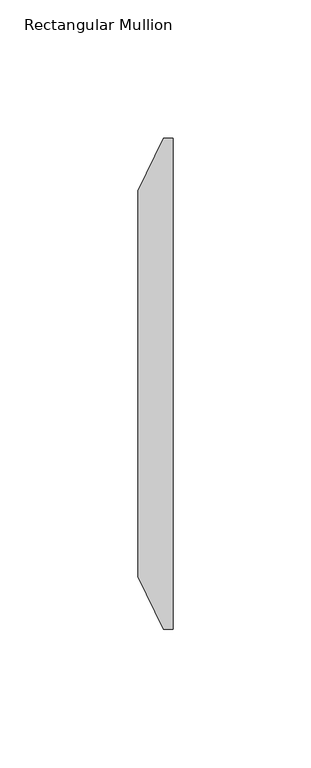
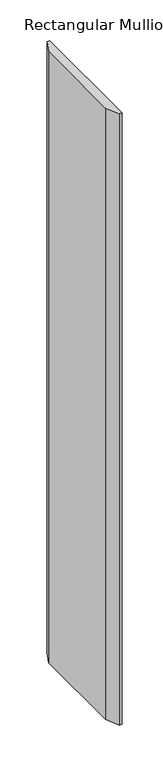
"""IFC4 building model written with IfcOpenShell, lengths in millimetres: member geometry, Rectangular Mullion."""

from ifc_helpers import new_model, si_unit, frame, origin, place, context, project, spatial, polyline, outline, extrude, source, transform, mapped, element, save


def rectangular_mullion_4a57e3d2(model_context):
    return source(origin(), model_context, "Body", "SweptSolid", [
        extrude(outline(polyline([(0.0, 19.05), (0.0, -158.75), (-3.4963666, -158.75), (-12.7, -139.7254762), (-12.7, 0.0254784), (-3.4963578, 19.05), (0.0, 19.05)])), frame((0.0, 0.0, -914.4), z_axis=(0.0, 0.0, 1.0), x_axis=(1.0, 0.0, 0.0)), (0.0, 0.0, 1.0), 914.4),
    ])


if __name__ == "__main__":
    model = new_model("IFC4")
    model_context = context("Model", 3, world=origin())
    ifc_project = project(units=[si_unit("LENGTHUNIT", "METRE", prefix="MILLI")], contexts=[model_context])
    site = spatial("IfcSite", under=ifc_project)
    building = spatial("IfcBuilding", under=site)
    placement = place(None, origin())
    rectangular_mullion_shape = rectangular_mullion_4a57e3d2(model_context)
    element("IfcMember", 1, ObjectType="Rectangular Mullion", at=placement, inside=building, context=model_context, shape_type="MappedRepresentation", body=[
        mapped(rectangular_mullion_shape, transform((0.0, 0.0, 0.0), x_axis=(1.0, 0.0, 0.0), y_axis=(0.0, 1.0, 0.0), z_axis=(0.0, 0.0, 1.0))),
    ])
    save(model, "model.ifc")
